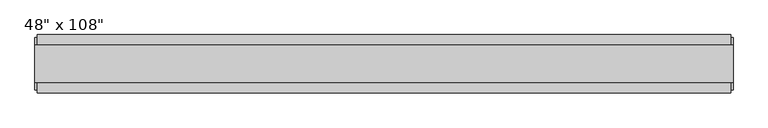
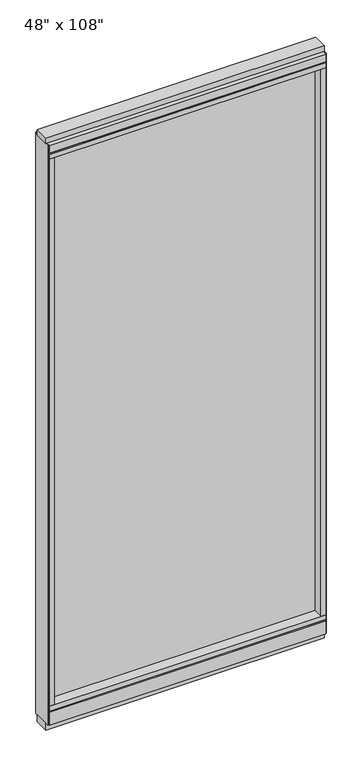
"""IFC4 building model written with IfcOpenShell, lengths in millimetres: furniture geometry."""

from ifc_helpers import new_model, si_unit, frame, origin, origin_with_axes, place, context, project, spatial, polyline, outline, extrude, source, transform, mapped, element, save


def furniture_06a94076(model_context):
    return source(origin(), model_context, "Body", "SweptSolid", [
        extrude(outline(polyline([(523.4014771, -9.5977216), (-643.4745229, -9.5977216), (-643.4745229, 0.5622784), (523.4014771, 0.5622784), (523.4014771, -9.5977216)])), frame((0.0, 0.0, 120.523), z_axis=(0.0, 0.0, 1.0), x_axis=(1.0, 0.0, 0.0)), (0.0, 0.0, 1.0), 2533.777),
        extrude(outline(polyline([(-55.3177216, 93.345), (-50.3647216, 93.345), (-50.3647216, 98.298), (41.3292784, 98.298), (41.3292784, 93.345), (46.2822784, 93.345), (46.2822784, 31.75), (-55.3177216, 31.75), (-55.3177216, 93.345)])), frame((-665.6995229, 0.0, 0.0), z_axis=(1.0, 0.0, 0.0), x_axis=(0.0, 1.0, 0.0)), (0.0, 0.0, 1.0), 1211.326),
        extrude(outline(polyline([(-665.6995229, -55.3177216), (-665.6995229, 46.2822784), (545.6264771, 46.2822784), (545.6264771, -55.3177216), (-665.6995229, -55.3177216)])), frame((0.0, 0.0, 98.298), z_axis=(0.0, 0.0, 1.0), x_axis=(1.0, 0.0, 0.0)), (0.0, 0.0, 1.0), 22.225),
        extrude(outline(polyline([(549.5634771, 27.9942784), (549.5634771, -37.0297216), (-669.6365229, -37.0297216), (-669.6365229, 27.9942784), (549.5634771, 27.9942784)])), origin_with_axes(), (0.0, 0.0, 1.0), 31.75),
        extrude(outline(polyline([(-669.6365229, -37.0297216), (-669.6365229, 27.9942784), (549.5634771, 27.9942784), (549.5634771, -37.0297216), (-669.6365229, -37.0297216)])), frame((0.0, 0.0, 2717.8), z_axis=(0.0, 0.0, 1.0), x_axis=(1.0, 0.0, 0.0)), (0.0, 0.0, 1.0), 25.4),
        extrude(outline(polyline([(-55.3177216, 2681.478), (-55.3177216, 2717.8), (46.2822784, 2717.8), (46.2822784, 2681.478), (41.3292784, 2681.478), (41.3292784, 2676.525), (-50.3647216, 2676.525), (-50.3647216, 2681.478), (-55.3177216, 2681.478)])), frame((-665.6995229, 0.0, 0.0), z_axis=(1.0, 0.0, 0.0), x_axis=(0.0, 1.0, 0.0)), (0.0, 0.0, 1.0), 1211.326),
        extrude(outline(polyline([(545.6264771, 46.2822784), (545.6264771, -55.3177216), (-665.6995229, -55.3177216), (-665.6995229, 46.2822784), (545.6264771, 46.2822784)])), frame((0.0, 0.0, 2654.3), z_axis=(0.0, 0.0, 1.0), x_axis=(1.0, 0.0, 0.0)), (0.0, 0.0, 1.0), 22.225),
        extrude(outline(polyline([(523.4014771, -55.3177216), (523.4014771, 46.2822784), (545.6264771, 46.2822784), (545.6264771, -55.3177216), (523.4014771, -55.3177216)])), frame((0.0, 0.0, 120.523), z_axis=(0.0, 0.0, 1.0), x_axis=(1.0, 0.0, 0.0)), (0.0, 0.0, 1.0), 2533.777),
        extrude(outline(polyline([(-643.4745229, -55.3177216), (-665.6995229, -55.3177216), (-665.6995229, 46.2822784), (-643.4745229, 46.2822784), (-643.4745229, -55.3177216)])), frame((0.0, 0.0, 120.523), z_axis=(0.0, 0.0, 1.0), x_axis=(1.0, 0.0, 0.0)), (0.0, 0.0, 1.0), 2533.777),
        extrude(outline(polyline([(549.5634771, -50.3647216), (545.6264771, -50.3647216), (545.6264771, 41.3292784), (549.5634771, 41.3292784), (549.5634771, -50.3647216)])), frame((0.0, 0.0, 31.75), z_axis=(0.0, 0.0, 1.0), x_axis=(1.0, 0.0, 0.0)), (0.0, 0.0, 1.0), 2686.05),
        extrude(outline(polyline([(-669.6365229, -50.3647216), (-669.6365229, 41.3292784), (-665.6995229, 41.3292784), (-665.6995229, -50.3647216), (-669.6365229, -50.3647216)])), frame((0.0, 0.0, 31.75), z_axis=(0.0, 0.0, 1.0), x_axis=(1.0, 0.0, 0.0)), (0.0, 0.0, 1.0), 2686.05),
    ])


if __name__ == "__main__":
    model = new_model("IFC4")
    model_context = context("Model", 3, world=origin())
    ifc_project = project(units=[si_unit("LENGTHUNIT", "METRE", prefix="MILLI")], contexts=[model_context])
    site = spatial("IfcSite", under=ifc_project)
    building = spatial("IfcBuilding", under=site)
    placement = place(None, origin())
    furniture_shape = furniture_06a94076(model_context)
    element("IfcFurniture", 1, ObjectType="48\" x 108\"", at=placement, inside=building, context=model_context, shape_type="MappedRepresentation", body=[
        mapped(furniture_shape, transform((0.0, 0.0, 0.0), x_axis=(1.0, 0.0, 0.0), y_axis=(0.0, 1.0, 0.0), z_axis=(0.0, 0.0, 1.0))),
    ])
    save(model, "model.ifc")
